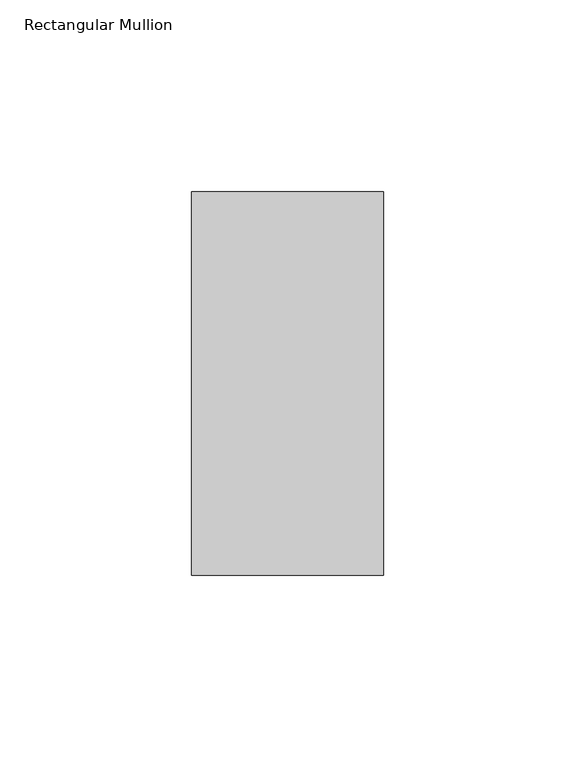
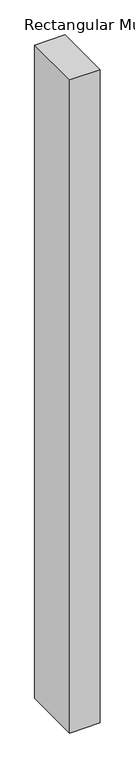
"""IFC4 building model written with IfcOpenShell, lengths in millimetres: member geometry, Rectangular Mullion."""

from ifc_helpers import new_model, si_unit, frame, origin, place, context, project, spatial, polyline, outline, extrude, source, transform, mapped, element, save


def rectangular_mullion_e64c6d71(model_context):
    return source(origin(), model_context, "Body", "SweptSolid", [
        extrude(outline(polyline([(25.0, 69.0), (25.0, -31.0), (-25.0, -31.0), (-25.0, 69.0), (25.0, 69.0)])), frame((0.0, 0.0, -1140.0), z_axis=(0.0, 0.0, 1.0), x_axis=(1.0, 0.0, 0.0)), (0.0, 0.0, 1.0), 1140.0),
    ])


if __name__ == "__main__":
    model = new_model("IFC4")
    model_context = context("Model", 3, world=origin())
    ifc_project = project(units=[si_unit("LENGTHUNIT", "METRE", prefix="MILLI")], contexts=[model_context])
    site = spatial("IfcSite", under=ifc_project)
    building = spatial("IfcBuilding", under=site)
    placement = place(None, origin())
    rectangular_mullion_shape = rectangular_mullion_e64c6d71(model_context)
    element("IfcMember", 1, ObjectType="Rectangular Mullion", at=placement, inside=building, context=model_context, shape_type="MappedRepresentation", body=[
        mapped(rectangular_mullion_shape, transform((0.0, 0.0, 0.0), x_axis=(1.0, 0.0, 0.0), y_axis=(0.0, 1.0, 0.0), z_axis=(0.0, 0.0, 1.0))),
    ])
    save(model, "model.ifc")
